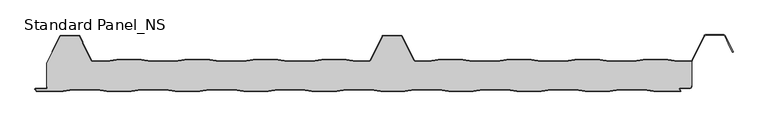
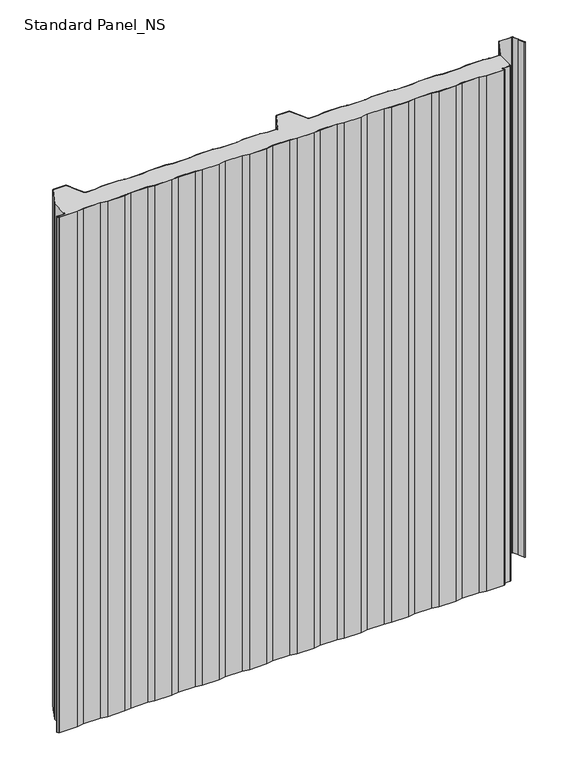
"""IFC4 building model written with IfcOpenShell, lengths in millimetres: proxy geometry, Standard Panel_NS."""

from ifc_helpers import new_model, si_unit, point, frame, frame_2d, origin, origin_with_axes, place, context, project, spatial, polyline, circle_curve, trimmed, segment, composite_curve, outline, extrude, source, transform, mapped, element, save
from ifc_brep_helpers import plane_surface, cylinder_surface, revolved_surface, advanced_brep


def standard_panel_ns_0e7aed19(model_context):
    return source(origin(), model_context, "Body", "SolidModel", [
        advanced_brep(
        [(-464.8660923, 46.7, 1219.2), (-466.9237884, 47.9724364, 1219.2), (-480.4229673, 75.0045421, 1219.2), (-480.6503205, 75.7702853, 1219.2), (-480.840508, 77.4301555, 1219.2), (-485.0802057, 85.9201502, 1219.2), (-486.4221814, 86.75, 1219.2), (-513.5776371, 86.75, 1219.2), (-514.9196128, 85.9201502, 1219.2), (-535.7286766, 44.25, 1219.2), (-535.8382664, 8.130172, 1219.2), (-535.0382664, 8.130172, 1219.2), (-535.0382664, 6.2001721, 1219.2), (-537.2382661, 4.0001723, 1219.2), (-553.5680922, 4.0001723, 1219.2), (-551.4916498, 0.8, 1219.2), (-510.6394764, 0.8, 1219.2), (-495.6394764, 3.3, 1219.2), (-457.5070563, 3.3, 1219.2), (-442.5070563, 0.8, 1219.2), (-404.6394764, 0.8, 1219.2), (-389.6394764, 3.3, 1219.2), (-351.5070563, 3.3, 1219.2), (-336.5070563, 0.8, 1219.2), (-298.6394764, 0.8, 1219.2), (-283.6394764, 3.3, 1219.2), (-245.5070563, 3.3, 1219.2), (-230.5070563, 0.8, 1219.2), (-192.6394764, 0.8, 1219.2), (-177.6394764, 3.3, 1219.2), (-139.5070563, 3.3, 1219.2), (-124.5070563, 0.8, 1219.2), (-86.1394764, 0.8, 1219.2), (-71.1394764, 3.3, 1219.2), (-33.0070563, 3.3, 1219.2), (-18.0070563, 0.8, 1219.2), (19.3605236, 0.8, 1219.2), (34.3605236, 3.3, 1219.2), (72.4929437, 3.3, 1219.2), (87.4929437, 0.8, 1219.2), (125.3605236, 0.8, 1219.2), (140.3605236, 3.3, 1219.2), (178.4929437, 3.3, 1219.2), (193.4929437, 0.8, 1219.2), (231.3605236, 0.8, 1219.2), (246.3605236, 3.3, 1219.2), (284.4929437, 3.3, 1219.2), (299.4929437, 0.8, 1219.2), (337.3605236, 0.8, 1219.2), (352.3605236, 3.3, 1219.2), (390.4929437, 3.3, 1219.2), (405.4929437, 0.8, 1219.2), (446.6010518, 0.8, 1219.2), (444.965675, 3.3204106, 1219.2), (446.4756642, 6.1001721, 1219.2), (462.0617343, 6.1001721, 1219.2), (463.3617336, 7.4001714, 1219.2), (463.3617336, 9.4001722, 1219.2), (464.2, 9.4, 1219.2), (464.2327461, 47.1622719, 1219.2), (462.60413, 46.7, 1219.2), (442.3905918, 46.7, 1219.2), (427.5511987, 49.2, 1219.2), (389.4759874, 49.2, 1219.2), (374.6365943, 46.7, 1219.2), (336.3905918, 46.7, 1219.2), (321.5511987, 49.2, 1219.2), (283.4759874, 49.2, 1219.2), (268.6365943, 46.7, 1219.2), (230.3905918, 46.7, 1219.2), (215.5511987, 49.2, 1219.2), (177.4759874, 49.2, 1219.2), (162.6365943, 46.7, 1219.2), (124.3905918, 46.7, 1219.2), (109.5511987, 49.2, 1219.2), (71.4759874, 49.2, 1219.2), (56.6365943, 46.7, 1219.2), (36.4223629, 46.7, 1219.2), (33.6489464, 48.415023, 1219.2), (14.9197943, 85.9201502, 1219.2), (13.5778186, 86.75, 1219.2), (-13.5776371, 86.75, 1219.2), (-14.9196128, 85.9201502, 1219.2), (-33.648765, 48.415023, 1219.2), (-36.4221814, 46.7, 1219.2), (-56.6364129, 46.7, 1219.2), (-71.4758059, 49.2, 1219.2), (-109.5510173, 49.2, 1219.2), (-124.3904103, 46.7, 1219.2), (-162.6364129, 46.7, 1219.2), (-177.4758059, 49.2, 1219.2), (-215.5510173, 49.2, 1219.2), (-230.3904103, 46.7, 1219.2), (-268.6364129, 46.7, 1219.2), (-283.4758059, 49.2, 1219.2), (-321.5510173, 49.2, 1219.2), (-336.3904103, 46.7, 1219.2), (-374.6364129, 46.7, 1219.2), (-389.4758059, 49.2, 1219.2), (-427.5510173, 49.2, 1219.2), (-442.3904103, 46.7, 1219.2), (-464.8660923, 46.7, 0.0), (-442.3904103, 46.7, 0.0), (-427.5510173, 49.2, 0.0), (-389.4758059, 49.2, 0.0), (-374.6364129, 46.7, 0.0), (-336.3904103, 46.7, 0.0), (-321.5510173, 49.2, 0.0), (-283.4758059, 49.2, 0.0), (-268.6364129, 46.7, 0.0), (-230.3904103, 46.7, 0.0), (-215.5510173, 49.2, 0.0), (-177.4758059, 49.2, 0.0), (-162.6364129, 46.7, 0.0), (-124.3904103, 46.7, 0.0), (-109.5510173, 49.2, 0.0), (-71.4758059, 49.2, 0.0), (-56.6364129, 46.7, 0.0), (-36.4221814, 46.7, 0.0), (-33.648765, 48.415023, 0.0), (-14.9196128, 85.9201502, 0.0), (-13.5776371, 86.75, 0.0), (13.5778186, 86.75, 0.0), (14.9197943, 85.9201502, 0.0), (33.6489464, 48.415023, 0.0), (36.4223629, 46.7, 0.0), (56.6365943, 46.7, 0.0), (71.4759874, 49.2, 0.0), (109.5511987, 49.2, 0.0), (124.3905918, 46.7, 0.0), (162.6365943, 46.7, 0.0), (177.4759874, 49.2, 0.0), (215.5511987, 49.2, 0.0), (230.3905918, 46.7, 0.0), (268.6365943, 46.7, 0.0), (283.4759874, 49.2, 0.0), (321.5511987, 49.2, 0.0), (336.3905918, 46.7, 0.0), (374.6365943, 46.7, 0.0), (389.4759874, 49.2, 0.0), (427.5511987, 49.2, 0.0), (442.3905918, 46.7, 0.0), (462.60413, 46.7, 0.0), (464.2327461, 47.1622719, 0.0), (464.2, 9.4, 0.0), (463.3617336, 9.4, 0.0), (463.3617336, 7.4001714, 0.0), (462.0617343, 6.1001721, 0.0), (446.4756642, 6.1001721, 0.0), (444.965675, 3.3204106, 0.0), (446.6010518, 0.8, 0.0), (405.4929437, 0.8, 0.0), (390.4929437, 3.3, 0.0), (352.3605236, 3.3, 0.0), (337.3605236, 0.8, 0.0), (299.4929437, 0.8, 0.0), (284.4929437, 3.3, 0.0), (246.3605236, 3.3, 0.0), (231.3605236, 0.8, 0.0), (193.4929437, 0.8, 0.0), (178.4929437, 3.3, 0.0), (140.3605236, 3.3, 0.0), (125.3605236, 0.8, 0.0), (87.4929437, 0.8, 0.0), (72.4929437, 3.3, 0.0), (34.3605236, 3.3, 0.0), (19.3605236, 0.8, 0.0), (-18.0070563, 0.8, 0.0), (-33.0070563, 3.3, 0.0), (-71.1394764, 3.3, 0.0), (-86.1394764, 0.8, 0.0), (-124.5070563, 0.8, 0.0), (-139.5070563, 3.3, 0.0), (-177.6394764, 3.3, 0.0), (-192.6394764, 0.8, 0.0), (-230.5070563, 0.8, 0.0), (-245.5070563, 3.3, 0.0), (-283.6394764, 3.3, 0.0), (-298.6394764, 0.8, 0.0), (-336.5070563, 0.8, 0.0), (-351.5070563, 3.3, 0.0), (-389.6394764, 3.3, 0.0), (-404.6394764, 0.8, 0.0), (-442.5070563, 0.8, 0.0), (-457.5070563, 3.3, 0.0), (-495.6394764, 3.3, 0.0), (-510.6394764, 0.8, 0.0), (-551.4916498, 0.8, 0.0), (-553.5680922, 4.0001723, 0.0), (-537.2382661, 4.0001723, 0.0), (-535.0382664, 6.2001721, 0.0), (-535.0382664, 8.130172, 0.0), (-535.8382664, 8.130172, 0.0), (-535.7998185, 44.25, 0.0), (-514.9196128, 85.9201502, 0.0), (-513.5776371, 86.75, 0.0), (-486.4221814, 86.75, 0.0), (-485.0802057, 85.9201502, 0.0), (-480.840508, 77.4301555, 0.0), (-480.6503205, 75.7702853, 0.0), (-480.4229673, 75.0045421, 0.0), (-466.9237884, 47.9724364, 0.0)],
        [
            (0, 1, circle_curve(frame((-464.8660923, 49.0, 1219.2), z_axis=(0.0, 0.0, -1.0), x_axis=(-1.0, 0.0, 0.0)), 2.3)),
            (1, 2),
            (2, 3, circle_curve(frame((-478.3652712, 76.0321057, 1219.2), z_axis=(0.0, 0.0, -1.0), x_axis=(-1.0, 0.0, 0.0)), 2.3)),
            (3, 4),
            (4, 5),
            (5, 6, circle_curve(frame((-486.4221814, 85.25, 1219.2), z_axis=(0.0, 0.0, 1.0), x_axis=(-1.0, 0.0, 0.0)), 1.5)),
            (6, 7),
            (7, 8, circle_curve(frame((-513.5776371, 85.25, 1219.2), z_axis=(0.0, 0.0, 1.0), x_axis=(-1.0, 0.0, 0.0)), 1.5)),
            (8, 9),
            (9, 10),
            (10, 11),
            (11, 12),
            (12, 13, circle_curve(frame((-537.2382661, 6.2001721, 1219.2), z_axis=(0.0, 0.0, -1.0), x_axis=(-1.0, 0.0, 0.0)), 2.1999997)),
            (13, 14),
            (14, 15),
            (15, 16),
            (16, 17),
            (17, 18),
            (18, 19),
            (19, 20),
            (20, 21),
            (21, 22),
            (22, 23),
            (23, 24),
            (24, 25),
            (25, 26),
            (26, 27),
            (27, 28),
            (28, 29),
            (29, 30),
            (30, 31),
            (31, 32),
            (32, 33),
            (33, 34),
            (34, 35),
            (35, 36),
            (36, 37),
            (37, 38),
            (38, 39),
            (39, 40),
            (40, 41),
            (41, 42),
            (42, 43),
            (43, 44),
            (44, 45),
            (45, 46),
            (46, 47),
            (47, 48),
            (48, 49),
            (49, 50),
            (50, 51),
            (51, 52),
            (52, 53),
            (53, 54, circle_curve(frame((446.4756642, 4.3001721, 1219.2), z_axis=(0.0, 0.0, -1.0), x_axis=(-1.0, 0.0, 0.0)), 1.8)),
            (54, 55),
            (55, 56, circle_curve(frame((462.0617343, 7.4001714, 1219.2), z_axis=(0.0, 0.0, 1.0), x_axis=(-1.0, 0.0, 0.0)), 1.2999993)),
            (56, 57),
            (57, 58),
            (58, 59),
            (59, 60, circle_curve(frame((462.60413, 49.8, 1219.2), z_axis=(0.0, 0.0, -1.0), x_axis=(-1.0, 0.0, 0.0)), 3.1)),
            (60, 61),
            (61, 62),
            (62, 63),
            (63, 64),
            (64, 65),
            (65, 66),
            (66, 67),
            (67, 68),
            (68, 69),
            (69, 70),
            (70, 71),
            (71, 72),
            (72, 73),
            (73, 74),
            (74, 75),
            (75, 76),
            (76, 77),
            (77, 78, circle_curve(frame((36.4223629, 49.8, 1219.2), z_axis=(0.0, 0.0, -1.0), x_axis=(-1.0, 0.0, 0.0)), 3.1)),
            (78, 79),
            (79, 80, circle_curve(frame((13.5778186, 85.25, 1219.2), z_axis=(0.0, 0.0, 1.0), x_axis=(-1.0, 0.0, 0.0)), 1.5)),
            (80, 81),
            (81, 82, circle_curve(frame((-13.5776371, 85.25, 1219.2), z_axis=(0.0, 0.0, 1.0), x_axis=(-1.0, 0.0, 0.0)), 1.5)),
            (82, 83),
            (83, 84, circle_curve(frame((-36.4221814, 49.8, 1219.2), z_axis=(0.0, 0.0, -1.0), x_axis=(-1.0, 0.0, 0.0)), 3.1)),
            (84, 85),
            (85, 86),
            (86, 87),
            (87, 88),
            (88, 89),
            (89, 90),
            (90, 91),
            (91, 92),
            (92, 93),
            (93, 94),
            (94, 95),
            (95, 96),
            (96, 97),
            (97, 98),
            (98, 99),
            (99, 100),
            (100, 0),
            (101, 102),
            (102, 103),
            (103, 104),
            (104, 105),
            (105, 106),
            (106, 107),
            (107, 108),
            (108, 109),
            (109, 110),
            (110, 111),
            (111, 112),
            (112, 113),
            (113, 114),
            (114, 115),
            (115, 116),
            (116, 117),
            (117, 118),
            (118, 119, circle_curve(frame((-36.4221814, 49.8, 0.0), z_axis=(0.0, 0.0, 1.0), x_axis=(-1.0, 0.0, 0.0)), 3.1)),
            (119, 120),
            (120, 121, circle_curve(frame((-13.5776371, 85.25, 0.0), z_axis=(0.0, 0.0, -1.0), x_axis=(-1.0, 0.0, 0.0)), 1.5)),
            (121, 122),
            (122, 123, circle_curve(frame((13.5778186, 85.25, 0.0), z_axis=(0.0, 0.0, -1.0), x_axis=(-1.0, 0.0, 0.0)), 1.5)),
            (123, 124),
            (124, 125, circle_curve(frame((36.4223629, 49.8, 0.0), z_axis=(0.0, 0.0, 1.0), x_axis=(-1.0, 0.0, 0.0)), 3.1)),
            (125, 126),
            (126, 127),
            (127, 128),
            (128, 129),
            (129, 130),
            (130, 131),
            (131, 132),
            (132, 133),
            (133, 134),
            (134, 135),
            (135, 136),
            (136, 137),
            (137, 138),
            (138, 139),
            (139, 140),
            (140, 141),
            (141, 142),
            (142, 143, circle_curve(frame((462.60413, 49.8, 0.0), z_axis=(0.0, 0.0, 1.0), x_axis=(-1.0, 0.0, 0.0)), 3.1)),
            (143, 144),
            (144, 145),
            (145, 146),
            (146, 147, circle_curve(frame((462.0617343, 7.4001714, 0.0), z_axis=(0.0, 0.0, -1.0), x_axis=(-1.0, 0.0, 0.0)), 1.2999993)),
            (147, 148),
            (148, 149, circle_curve(frame((446.4756642, 4.3001721, 0.0), z_axis=(0.0, 0.0, 1.0), x_axis=(-1.0, 0.0, 0.0)), 1.8)),
            (149, 150),
            (150, 151),
            (151, 152),
            (152, 153),
            (153, 154),
            (154, 155),
            (155, 156),
            (156, 157),
            (157, 158),
            (158, 159),
            (159, 160),
            (160, 161),
            (161, 162),
            (162, 163),
            (163, 164),
            (164, 165),
            (165, 166),
            (166, 167),
            (167, 168),
            (168, 169),
            (169, 170),
            (170, 171),
            (171, 172),
            (172, 173),
            (173, 174),
            (174, 175),
            (175, 176),
            (176, 177),
            (177, 178),
            (178, 179),
            (179, 180),
            (180, 181),
            (181, 182),
            (182, 183),
            (183, 184),
            (184, 185),
            (185, 186),
            (186, 187),
            (187, 188),
            (188, 189),
            (189, 190, circle_curve(frame((-537.2382661, 6.2001721, 0.0), z_axis=(0.0, 0.0, 1.0), x_axis=(-1.0, 0.0, 0.0)), 2.1999997)),
            (190, 191),
            (191, 192),
            (192, 193),
            (193, 194),
            (194, 195, circle_curve(frame((-513.5776371, 85.25, 0.0), z_axis=(0.0, 0.0, -1.0), x_axis=(-1.0, 0.0, 0.0)), 1.5)),
            (195, 196),
            (196, 197, circle_curve(frame((-486.4221814, 85.25, 0.0), z_axis=(0.0, 0.0, -1.0), x_axis=(-1.0, 0.0, 0.0)), 1.5)),
            (197, 198),
            (198, 199),
            (199, 200, circle_curve(frame((-478.3652712, 76.0321057, 0.0), z_axis=(0.0, 0.0, 1.0), x_axis=(-1.0, 0.0, 0.0)), 2.3)),
            (200, 201),
            (201, 101, circle_curve(frame((-464.8660923, 49.0, 0.0), z_axis=(0.0, 0.0, 1.0), x_axis=(-1.0, 0.0, 0.0)), 2.3)),
            (0, 101),
            (201, 1),
            (200, 2),
            (199, 3),
            (198, 4),
            (197, 5),
            (196, 6),
            (195, 7),
            (194, 8),
            (193, 9),
            (143, 59),
            (58, 144),
            (142, 60),
            (141, 61),
            (140, 62),
            (139, 63),
            (138, 64),
            (137, 65),
            (136, 66),
            (135, 67),
            (134, 68),
            (133, 69),
            (132, 70),
            (131, 71),
            (130, 72),
            (129, 73),
            (128, 74),
            (127, 75),
            (126, 76),
            (125, 77),
            (124, 78),
            (123, 79),
            (122, 80),
            (121, 81),
            (120, 82),
            (119, 83),
            (118, 84),
            (117, 85),
            (116, 86),
            (115, 87),
            (114, 88),
            (113, 89),
            (112, 90),
            (111, 91),
            (110, 92),
            (109, 93),
            (108, 94),
            (107, 95),
            (106, 96),
            (105, 97),
            (104, 98),
            (103, 99),
            (102, 100),
            (57, 145),
            (192, 10),
            (12, 190),
            (189, 13),
            (188, 14),
            (187, 15),
            (186, 16),
            (185, 17),
            (184, 18),
            (183, 19),
            (182, 20),
            (181, 21),
            (180, 22),
            (179, 23),
            (178, 24),
            (177, 25),
            (176, 26),
            (175, 27),
            (174, 28),
            (173, 29),
            (172, 30),
            (171, 31),
            (170, 32),
            (169, 33),
            (168, 34),
            (167, 35),
            (166, 36),
            (165, 37),
            (164, 38),
            (163, 39),
            (162, 40),
            (161, 41),
            (160, 42),
            (159, 43),
            (158, 44),
            (157, 45),
            (156, 46),
            (155, 47),
            (154, 48),
            (153, 49),
            (152, 50),
            (151, 51),
            (150, 52),
            (149, 53),
            (148, 54),
            (147, 55),
            (146, 56),
            (191, 11),
        ],
        [
            plane_surface(frame((9.07e-05, 49.2, 1219.2), z_axis=(0.0, 0.0, 1.0), x_axis=(0.0, 1.0, 0.0))),
            plane_surface(frame((9.07e-05, 49.2, 0.0), z_axis=(0.0, 0.0, -1.0), x_axis=(0.0, 1.0, 0.0))),
            revolved_surface(polyline([(-467.1660923, 49.0, 0.0), (-467.1660923, 49.0, 1219.2)]), (-464.8660923, 49.0, 1219.2), (0.0, 0.0, -1.0)),
            plane_surface(frame((-466.9237884, 47.9724364, 1219.2), z_axis=(0.8946504628058127, 0.44676677293789996, 0.0), x_axis=(0.0, 0.0, -1.0))),
            revolved_surface(polyline([(-480.6652712, 76.0321057, 0.0), (-480.6652712, 76.0321057, 1219.2)]), (-478.3652712, 76.0321057, 1219.2), (0.0, 0.0, -1.0)),
            plane_surface(frame((-480.6503205, 75.7702853, 1219.2), z_axis=(0.9934996737929253, 0.113834960242235, 0.0), x_axis=(0.0, 0.0, -1.0))),
            plane_surface(frame((-480.840508, 77.4301555, 1219.2), z_axis=(0.8946504628055771, 0.44676677293837186, 0.0), x_axis=(0.0, 0.0, -1.0))),
            cylinder_surface(frame((-486.4221814, 85.25, 1219.2), z_axis=(0.0, 0.0, 1.0), x_axis=(-1.0, 0.0, 0.0)), 1.5),
            plane_surface(frame((-486.4221814, 86.75, 1219.2), z_axis=(0.0, 1.0, 0.0), x_axis=(0.0, 0.0, -1.0))),
            cylinder_surface(frame((-513.5776371, 85.25, 1219.2), z_axis=(0.0, 0.0, 1.0), x_axis=(-1.0, 0.0, 0.0)), 1.5),
            plane_surface(frame((-514.9196128, 85.9201502, 1219.2), z_axis=(-0.8946504628064579, 0.44676677293660805, 0.0), x_axis=(0.0, 0.0, -1.0))),
            plane_surface(frame((464.2327461, 44.25, 1219.2), z_axis=(1.0, 0.0, 0.0), x_axis=(0.0, 0.0, -1.0))),
            revolved_surface(polyline([(459.50413, 49.8, 0.0), (459.50413, 49.8, 1219.2)]), (462.60413, 49.8, 1219.2), (0.0, 0.0, -1.0)),
            plane_surface(frame((462.60413, 46.7, 1219.2), z_axis=(0.0, 1.0, 0.0), x_axis=(0.0, 0.0, -1.0))),
            plane_surface(frame((442.3905918, 46.7, 1219.2), z_axis=(0.16612942863435848, 0.9861039564577467, 0.0), x_axis=(0.0, 0.0, -1.0))),
            plane_surface(frame((427.5511987, 49.2, 1219.2), z_axis=(0.0, 1.0, 0.0), x_axis=(0.0, 0.0, -1.0))),
            plane_surface(frame((389.4759874, 49.2, 1219.2), z_axis=(-0.16612942863454067, 0.9861039564577161, 0.0), x_axis=(0.0, 0.0, -1.0))),
            plane_surface(frame((374.6365943, 46.7, 1219.2), z_axis=(0.0, 1.0, 0.0), x_axis=(0.0, 0.0, -1.0))),
            plane_surface(frame((336.3905918, 46.7, 1219.2), z_axis=(0.1661294286345235, 0.986103956457719, 0.0), x_axis=(0.0, 0.0, -1.0))),
            plane_surface(frame((321.5511987, 49.2, 1219.2), z_axis=(0.0, 1.0, 0.0), x_axis=(0.0, 0.0, -1.0))),
            plane_surface(frame((283.4759874, 49.2, 1219.2), z_axis=(-0.16612942863454067, 0.9861039564577161, 0.0), x_axis=(0.0, 0.0, -1.0))),
            plane_surface(frame((268.6365943, 46.7, 1219.2), z_axis=(0.0, 1.0, 0.0), x_axis=(0.0, 0.0, -1.0))),
            plane_surface(frame((230.3905918, 46.7, 1219.2), z_axis=(0.16612942863435848, 0.9861039564577467, 0.0), x_axis=(0.0, 0.0, -1.0))),
            plane_surface(frame((215.5511987, 49.2, 1219.2), z_axis=(0.0, 1.0, 0.0), x_axis=(0.0, 0.0, -1.0))),
            plane_surface(frame((177.4759874, 49.2, 1219.2), z_axis=(-0.16612942863472926, 0.9861039564576843, 0.0), x_axis=(0.0, 0.0, -1.0))),
            plane_surface(frame((162.6365943, 46.7, 1219.2), z_axis=(0.0, 1.0, 0.0), x_axis=(0.0, 0.0, -1.0))),
            plane_surface(frame((124.3905918, 46.7, 1219.2), z_axis=(0.1661294286345235, 0.986103956457719, 0.0), x_axis=(0.0, 0.0, -1.0))),
            plane_surface(frame((109.5511987, 49.2, 1219.2), z_axis=(0.0, 1.0, 0.0), x_axis=(0.0, 0.0, -1.0))),
            plane_surface(frame((71.4759874, 49.2, 1219.2), z_axis=(-0.16612942863435204, 0.9861039564577478, 0.0), x_axis=(0.0, 0.0, -1.0))),
            plane_surface(frame((56.6365943, 46.7, 1219.2), z_axis=(0.0, 1.0, 0.0), x_axis=(0.0, 0.0, -1.0))),
            revolved_surface(polyline([(33.3223629, 49.8, 0.0), (33.3223629, 49.8, 1219.2)]), (36.4223629, 49.8, 1219.2), (0.0, 0.0, -1.0)),
            plane_surface(frame((33.6489464, 48.415023, 1219.2), z_axis=(0.8946504628060804, 0.44676677293736405, 0.0), x_axis=(0.0, 0.0, -1.0))),
            cylinder_surface(frame((13.5778186, 85.25, 1219.2), z_axis=(0.0, 0.0, 1.0), x_axis=(-1.0, 0.0, 0.0)), 1.5),
            plane_surface(frame((13.5778186, 86.75, 1219.2), z_axis=(0.0, 1.0, 0.0), x_axis=(0.0, 0.0, -1.0))),
            cylinder_surface(frame((-13.5776371, 85.25, 1219.2), z_axis=(0.0, 0.0, 1.0), x_axis=(-1.0, 0.0, 0.0)), 1.5),
            plane_surface(frame((-14.9196128, 85.9201502, 1219.2), z_axis=(-0.8946504628059846, 0.4467667729375559, 0.0), x_axis=(0.0, 0.0, -1.0))),
            revolved_surface(polyline([(-39.5221814, 49.8, 0.0), (-39.5221814, 49.8, 1219.2)]), (-36.4221814, 49.8, 1219.2), (0.0, 0.0, -1.0)),
            plane_surface(frame((-36.4221814, 46.7, 1219.2), z_axis=(0.0, 1.0, 0.0), x_axis=(0.0, 0.0, -1.0))),
            plane_surface(frame((-56.6364129, 46.7, 1219.2), z_axis=(0.16612942863461477, 0.9861039564577035, 0.0), x_axis=(0.0, 0.0, -1.0))),
            plane_surface(frame((-71.4758059, 49.2, 1219.2), z_axis=(0.0, 1.0, 0.0), x_axis=(0.0, 0.0, -1.0))),
            plane_surface(frame((-109.5510173, 49.2, 1219.2), z_axis=(-0.16612942863482053, 0.9861039564576689, 0.0), x_axis=(0.0, 0.0, -1.0))),
            plane_surface(frame((-124.3904103, 46.7, 1219.2), z_axis=(0.0, 1.0, 0.0), x_axis=(0.0, 0.0, -1.0))),
            plane_surface(frame((-162.6364129, 46.7, 1219.2), z_axis=(0.16612942863457067, 0.986103956457711, 0.0), x_axis=(0.0, 0.0, -1.0))),
            plane_surface(frame((-177.4758059, 49.2, 1219.2), z_axis=(0.0, 1.0, 0.0), x_axis=(0.0, 0.0, -1.0))),
            plane_surface(frame((-215.5510173, 49.2, 1219.2), z_axis=(-0.16612942863435204, 0.9861039564577478, 0.0), x_axis=(0.0, 0.0, -1.0))),
            plane_surface(frame((-230.3904103, 46.7, 1219.2), z_axis=(0.0, 1.0, 0.0), x_axis=(0.0, 0.0, -1.0))),
            plane_surface(frame((-268.6364129, 46.7, 1219.2), z_axis=(0.1661294286345471, 0.986103956457715, 0.0), x_axis=(0.0, 0.0, -1.0))),
            plane_surface(frame((-283.4758059, 49.2, 1219.2), z_axis=(0.0, 1.0, 0.0), x_axis=(0.0, 0.0, -1.0))),
            plane_surface(frame((-321.5510173, 49.2, 1219.2), z_axis=(-0.16612942863454067, 0.9861039564577161, 0.0), x_axis=(0.0, 0.0, -1.0))),
            plane_surface(frame((-336.3904103, 46.7, 1219.2), z_axis=(0.0, 1.0, 0.0), x_axis=(0.0, 0.0, -1.0))),
            plane_surface(frame((-374.6364129, 46.7, 1219.2), z_axis=(0.1661294286345471, 0.986103956457715, 0.0), x_axis=(0.0, 0.0, -1.0))),
            plane_surface(frame((-389.4758059, 49.2, 1219.2), z_axis=(0.0, 1.0, 0.0), x_axis=(0.0, 0.0, -1.0))),
            plane_surface(frame((-427.5510173, 49.2, 1219.2), z_axis=(-0.16612942863472926, 0.9861039564576843, 0.0), x_axis=(0.0, 0.0, -1.0))),
            plane_surface(frame((-442.3904103, 46.7, 1219.2), z_axis=(0.0, 1.0, 0.0), x_axis=(0.0, 0.0, -1.0))),
            plane_surface(frame((-535.7998185, 9.4, 1219.2), z_axis=(0.0, -1.0, 0.0), x_axis=(0.0, 0.0, -1.0))),
            plane_surface(frame((-535.7998185, 44.25, 1219.2), z_axis=(-1.0, 0.0, 0.0), x_axis=(0.0, 0.0, -1.0))),
            revolved_surface(polyline([(-539.4382658000001, 6.2001721, 0.0), (-539.4382658000001, 6.2001721, 1219.2)]), (-537.2382661, 6.2001721, 1219.2), (0.0, 0.0, -1.0)),
            plane_surface(frame((-537.2382661, 4.0001723, 1219.2), z_axis=(0.0, 1.0, 0.0), x_axis=(0.0, 0.0, -1.0))),
            plane_surface(frame((-553.5680922, 4.0001723, 1219.2), z_axis=(-0.8388828900560089, -0.5443119480328152, 0.0), x_axis=(0.0, 0.0, -1.0))),
            plane_surface(frame((-551.4916498, 0.8, 1219.2), z_axis=(0.0, -1.0, 0.0), x_axis=(0.0, 0.0, -1.0))),
            plane_surface(frame((-510.6394764, 0.8, 1219.2), z_axis=(0.16439898730529637, -0.986393923832154, 0.0), x_axis=(0.0, 0.0, -1.0))),
            plane_surface(frame((-495.6394764, 3.3, 1219.2), z_axis=(0.0, -1.0, 0.0), x_axis=(0.0, 0.0, -1.0))),
            plane_surface(frame((-457.5070563, 3.3, 1219.2), z_axis=(-0.1643989873053497, -0.9863939238321451, 0.0), x_axis=(0.0, 0.0, -1.0))),
            plane_surface(frame((-442.5070563, 0.8, 1219.2), z_axis=(0.0, -1.0, 0.0), x_axis=(0.0, 0.0, -1.0))),
            plane_surface(frame((-404.6394764, 0.8, 1219.2), z_axis=(0.16439898730534544, -0.9863939238321457, 0.0), x_axis=(0.0, 0.0, -1.0))),
            plane_surface(frame((-389.6394764, 3.3, 1219.2), z_axis=(0.0, -1.0, 0.0), x_axis=(0.0, 0.0, -1.0))),
            plane_surface(frame((-351.5070563, 3.3, 1219.2), z_axis=(-0.16439898730537528, -0.9863939238321408, 0.0), x_axis=(0.0, 0.0, -1.0))),
            plane_surface(frame((-336.5070563, 0.8, 1219.2), z_axis=(0.0, -1.0, 0.0), x_axis=(0.0, 0.0, -1.0))),
            plane_surface(frame((-298.6394764, 0.8, 1219.2), z_axis=(0.16439898730518882, -0.9863939238321718, 0.0), x_axis=(0.0, 0.0, -1.0))),
            plane_surface(frame((-283.6394764, 3.3, 1219.2), z_axis=(0.0, -1.0, 0.0), x_axis=(0.0, 0.0, -1.0))),
            plane_surface(frame((-245.5070563, 3.3, 1219.2), z_axis=(-0.16439898730526595, -0.986393923832159, 0.0), x_axis=(0.0, 0.0, -1.0))),
            plane_surface(frame((-230.5070563, 0.8, 1219.2), z_axis=(0.0, -1.0, 0.0), x_axis=(0.0, 0.0, -1.0))),
            plane_surface(frame((-192.6394764, 0.8, 1219.2), z_axis=(0.1643989873054454, -0.9863939238321291, 0.0), x_axis=(0.0, 0.0, -1.0))),
            plane_surface(frame((-177.6394764, 3.3, 1219.2), z_axis=(0.0, -1.0, 0.0), x_axis=(0.0, 0.0, -1.0))),
            plane_surface(frame((-139.5070563, 3.3, 1219.2), z_axis=(-0.16439898730351146, -0.9863939238324514, 0.0), x_axis=(0.0, 0.0, -1.0))),
            plane_surface(frame((-124.5070563, 0.8, 1219.2), z_axis=(0.0, -1.0, 0.0), x_axis=(0.0, 0.0, -1.0))),
            plane_surface(frame((-86.1394764, 0.8, 1219.2), z_axis=(0.16439898730531116, -0.9863939238321515, 0.0), x_axis=(0.0, 0.0, -1.0))),
            plane_surface(frame((-71.1394764, 3.3, 1219.2), z_axis=(0.0, -1.0, 0.0), x_axis=(0.0, 0.0, -1.0))),
            plane_surface(frame((-33.0070563, 3.3, 1219.2), z_axis=(-0.1643989873007139, -0.9863939238329177, 0.0), x_axis=(0.0, 0.0, -1.0))),
            plane_surface(frame((-18.0070563, 0.8, 1219.2), z_axis=(0.0, -1.0, 0.0), x_axis=(0.0, 0.0, -1.0))),
            plane_surface(frame((19.3605236, 0.8, 1219.2), z_axis=(0.16439898730276062, -0.9863939238325765, 0.0), x_axis=(0.0, 0.0, -1.0))),
            plane_surface(frame((34.3605236, 3.3, 1219.2), z_axis=(0.0, -1.0, 0.0), x_axis=(0.0, 0.0, -1.0))),
            plane_surface(frame((72.4929437, 3.3, 1219.2), z_axis=(-0.1643989873053467, -0.9863939238321456, 0.0), x_axis=(0.0, 0.0, -1.0))),
            plane_surface(frame((87.4929437, 0.8, 1219.2), z_axis=(0.0, -1.0, 0.0), x_axis=(0.0, 0.0, -1.0))),
            plane_surface(frame((125.3605236, 0.8, 1219.2), z_axis=(0.1643989873053679, -0.9863939238321421, 0.0), x_axis=(0.0, 0.0, -1.0))),
            plane_surface(frame((140.3605236, 3.3, 1219.2), z_axis=(0.0, -1.0, 0.0), x_axis=(0.0, 0.0, -1.0))),
            plane_surface(frame((178.4929437, 3.3, 1219.2), z_axis=(-0.1643989873053467, -0.9863939238321456, 0.0), x_axis=(0.0, 0.0, -1.0))),
            plane_surface(frame((193.4929437, 0.8, 1219.2), z_axis=(0.0, -1.0, 0.0), x_axis=(0.0, 0.0, -1.0))),
            plane_surface(frame((231.3605236, 0.8, 1219.2), z_axis=(0.16439898730518315, -0.9863939238321728, 0.0), x_axis=(0.0, 0.0, -1.0))),
            plane_surface(frame((246.3605236, 3.3, 1219.2), z_axis=(0.0, -1.0, 0.0), x_axis=(0.0, 0.0, -1.0))),
            plane_surface(frame((284.4929437, 3.3, 1219.2), z_axis=(-0.1643989873053467, -0.9863939238321456, 0.0), x_axis=(0.0, 0.0, -1.0))),
            plane_surface(frame((299.4929437, 0.8, 1219.2), z_axis=(0.0, -1.0, 0.0), x_axis=(0.0, 0.0, -1.0))),
            plane_surface(frame((337.3605236, 0.8, 1219.2), z_axis=(0.1643989873053679, -0.9863939238321421, 0.0), x_axis=(0.0, 0.0, -1.0))),
            plane_surface(frame((352.3605236, 3.3, 1219.2), z_axis=(0.0, -1.0, 0.0), x_axis=(0.0, 0.0, -1.0))),
            plane_surface(frame((390.4929437, 3.3, 1219.2), z_axis=(-0.16439898730516195, -0.9863939238321764, 0.0), x_axis=(0.0, 0.0, -1.0))),
            plane_surface(frame((405.4929437, 0.8, 1219.2), z_axis=(0.0, -1.0, 0.0), x_axis=(0.0, 0.0, -1.0))),
            plane_surface(frame((446.6010518, 0.8, 1219.2), z_axis=(0.8388828900539764, 0.5443119480359477, 0.0), x_axis=(0.0, 0.0, -1.0))),
            revolved_surface(polyline([(444.67566419999997, 4.3001721, 0.0), (444.67566419999997, 4.3001721, 1219.2)]), (446.4756642, 4.3001721, 1219.2), (0.0, 0.0, -1.0)),
            plane_surface(frame((446.4756642, 6.1001721, 1219.2), z_axis=(0.0, -1.0, 0.0), x_axis=(0.0, 0.0, -1.0))),
            cylinder_surface(frame((462.0617343, 7.4001714, 1219.2), z_axis=(0.0, 0.0, 1.0), x_axis=(-1.0, 0.0, 0.0)), 1.2999993),
            plane_surface(frame((463.3617336, 7.4001714, 1219.2), z_axis=(1.0, 0.0, 0.0), x_axis=(0.0, 0.0, -1.0))),
            plane_surface(frame((-535.8382664, 8.130172, 1219.2), z_axis=(0.0, -1.0, 0.0), x_axis=(0.0, 0.0, -1.0))),
            plane_surface(frame((-535.0382664, 8.130172, 1219.2), z_axis=(-1.0, 0.0, 0.0), x_axis=(0.0, 0.0, -1.0))),
        ],
        [
            (0, [[1, 2, 3, 4, 5, 6, 7, 8, 9, 10, 11, 12, 13, 14, 15, 16, 17, 18, 19, 20, 21, 22, 23, 24, 25, 26, 27, 28, 29, 30, 31, 32, 33, 34, 35, 36, 37, 38, 39, 40, 41, 42, 43, 44, 45, 46, 47, 48, 49, 50, 51, 52, 53, 54, 55, 56, 57, 58, 59, 60, 61, 62, 63, 64, 65, 66, 67, 68, 69, 70, 71, 72, 73, 74, 75, 76, 77, 78, 79, 80, 81, 82, 83, 84, 85, 86, 87, 88, 89, 90, 91, 92, 93, 94, 95, 96, 97, 98, 99, 100, 101]]),
            (1, [[102, 103, 104, 105, 106, 107, 108, 109, 110, 111, 112, 113, 114, 115, 116, 117, 118, 119, 120, 121, 122, 123, 124, 125, 126, 127, 128, 129, 130, 131, 132, 133, 134, 135, 136, 137, 138, 139, 140, 141, 142, 143, 144, 145, 146, 147, 148, 149, 150, 151, 152, 153, 154, 155, 156, 157, 158, 159, 160, 161, 162, 163, 164, 165, 166, 167, 168, 169, 170, 171, 172, 173, 174, 175, 176, 177, 178, 179, 180, 181, 182, 183, 184, 185, 186, 187, 188, 189, 190, 191, 192, 193, 194, 195, 196, 197, 198, 199, 200, 201, 202]]),
            (2, [[-1, 203, -202, 204]]),
            (3, [[-2, -204, -201, 205]]),
            (4, [[-3, -205, -200, 206]]),
            (5, [[-4, -206, -199, 207]]),
            (6, [[-5, -207, -198, 208]]),
            (7, [[-6, -208, -197, 209]]),
            (8, [[-7, -209, -196, 210]]),
            (9, [[-8, -210, -195, 211]]),
            (10, [[-9, -211, -194, 212]]),
            (11, [[213, -59, 214, -144]]),
            (12, [[-60, -213, -143, 215]]),
            (13, [[-61, -215, -142, 216]]),
            (14, [[-62, -216, -141, 217]]),
            (15, [[-63, -217, -140, 218]]),
            (16, [[-64, -218, -139, 219]]),
            (17, [[-65, -219, -138, 220]]),
            (18, [[-66, -220, -137, 221]]),
            (19, [[-67, -221, -136, 222]]),
            (20, [[-68, -222, -135, 223]]),
            (21, [[-69, -223, -134, 224]]),
            (22, [[-70, -224, -133, 225]]),
            (23, [[-71, -225, -132, 226]]),
            (24, [[-72, -226, -131, 227]]),
            (25, [[-73, -227, -130, 228]]),
            (26, [[-74, -228, -129, 229]]),
            (27, [[-75, -229, -128, 230]]),
            (28, [[-76, -230, -127, 231]]),
            (29, [[-77, -231, -126, 232]]),
            (30, [[-78, -232, -125, 233]]),
            (31, [[-79, -233, -124, 234]]),
            (32, [[-80, -234, -123, 235]]),
            (33, [[-81, -235, -122, 236]]),
            (34, [[-82, -236, -121, 237]]),
            (35, [[-83, -237, -120, 238]]),
            (36, [[-84, -238, -119, 239]]),
            (37, [[-85, -239, -118, 240]]),
            (38, [[-86, -240, -117, 241]]),
            (39, [[-87, -241, -116, 242]]),
            (40, [[-88, -242, -115, 243]]),
            (41, [[-89, -243, -114, 244]]),
            (42, [[-90, -244, -113, 245]]),
            (43, [[-91, -245, -112, 246]]),
            (44, [[-92, -246, -111, 247]]),
            (45, [[-93, -247, -110, 248]]),
            (46, [[-94, -248, -109, 249]]),
            (47, [[-95, -249, -108, 250]]),
            (48, [[-96, -250, -107, 251]]),
            (49, [[-97, -251, -106, 252]]),
            (50, [[-98, -252, -105, 253]]),
            (51, [[-99, -253, -104, 254]]),
            (52, [[-100, -254, -103, 255]]),
            (53, [[-101, -255, -102, -203]]),
            (54, [[-214, -58, 256, -145]]),
            (55, [[-10, -212, -193, 257]]),
            (56, [[-13, 258, -190, 259]]),
            (57, [[-14, -259, -189, 260]]),
            (58, [[-15, -260, -188, 261]]),
            (59, [[-16, -261, -187, 262]]),
            (60, [[-17, -262, -186, 263]]),
            (61, [[-18, -263, -185, 264]]),
            (62, [[-19, -264, -184, 265]]),
            (63, [[-20, -265, -183, 266]]),
            (64, [[-21, -266, -182, 267]]),
            (65, [[-22, -267, -181, 268]]),
            (66, [[-23, -268, -180, 269]]),
            (67, [[-24, -269, -179, 270]]),
            (68, [[-25, -270, -178, 271]]),
            (69, [[-26, -271, -177, 272]]),
            (70, [[-27, -272, -176, 273]]),
            (71, [[-28, -273, -175, 274]]),
            (72, [[-29, -274, -174, 275]]),
            (73, [[-30, -275, -173, 276]]),
            (74, [[-31, -276, -172, 277]]),
            (75, [[-32, -277, -171, 278]]),
            (76, [[-33, -278, -170, 279]]),
            (77, [[-34, -279, -169, 280]]),
            (78, [[-35, -280, -168, 281]]),
            (79, [[-36, -281, -167, 282]]),
            (80, [[-37, -282, -166, 283]]),
            (81, [[-38, -283, -165, 284]]),
            (82, [[-39, -284, -164, 285]]),
            (83, [[-40, -285, -163, 286]]),
            (84, [[-41, -286, -162, 287]]),
            (85, [[-42, -287, -161, 288]]),
            (86, [[-43, -288, -160, 289]]),
            (87, [[-44, -289, -159, 290]]),
            (88, [[-45, -290, -158, 291]]),
            (89, [[-46, -291, -157, 292]]),
            (90, [[-47, -292, -156, 293]]),
            (91, [[-48, -293, -155, 294]]),
            (92, [[-49, -294, -154, 295]]),
            (93, [[-50, -295, -153, 296]]),
            (94, [[-51, -296, -152, 297]]),
            (95, [[-52, -297, -151, 298]]),
            (96, [[-53, -298, -150, 299]]),
            (97, [[-54, -299, -149, 300]]),
            (98, [[-55, -300, -148, 301]]),
            (99, [[-56, -301, -147, 302]]),
            (100, [[-57, -302, -146, -256]]),
            (101, [[-11, -257, -192, 303]]),
            (102, [[-12, -303, -191, -258]]),
        ],
    ),
        extrude(outline(composite_curve([segment(polyline([(-535.8382664, 6.2001721), (-535.8382664, 8.130172), (-535.0382664, 8.130172), (-535.0382664, 6.2001721)]), True, "CONTINUOUS"), segment(trimmed(circle_curve(frame_2d((-537.2382661, 6.2001721)), 2.1999997), [point((-535.0382664, 6.2001721))], [point((-537.2382661, 4.0001723))], False, "CARTESIAN"), True, "CONTINUOUS"), segment(polyline([(-537.2382661, 4.0001723), (-553.5680922, 4.0001723), (-551.4916498, 0.8), (-510.6394764, 0.8), (-495.6394764, 3.3), (-457.5070563, 3.3), (-442.5070563, 0.8), (-404.6394764, 0.8), (-389.6394764, 3.3), (-351.5070563, 3.3), (-336.5070563, 0.8), (-298.6394764, 0.8), (-283.6394764, 3.3), (-245.5070563, 3.3), (-230.5070563, 0.8), (-192.6394764, 0.8), (-177.6394764, 3.3), (-139.5070563, 3.3), (-124.5070563, 0.8), (-86.1394764, 0.8), (-71.1394764, 3.3), (-33.0070563, 3.3), (-18.0070563, 0.8), (19.3605236, 0.8), (34.3605236, 3.3), (72.4929437, 3.3), (87.4929437, 0.8), (125.3605236, 0.8), (140.3605236, 3.3), (178.4929437, 3.3), (193.4929437, 0.8), (231.3605236, 0.8), (246.3605236, 3.3), (284.4929437, 3.3), (299.4929437, 0.8), (337.3605236, 0.8), (352.3605236, 3.3), (390.4929437, 3.3), (405.4929437, 0.8), (446.6010518, 0.8), (444.965675, 3.3204106)]), True, "CONTINUOUS"), segment(trimmed(circle_curve(frame_2d((446.4756642, 4.3001721)), 1.8), [point((444.965675, 3.3204106))], [point((446.4756642, 6.1001721))], False, "CARTESIAN"), True, "CONTINUOUS"), segment(polyline([(446.4756642, 6.1001721), (462.0617343, 6.1001721)]), True, "CONTINUOUS"), segment(trimmed(circle_curve(frame_2d((462.0617343, 7.4001714)), 1.2999993), [point((462.0617343, 6.1001721))], [point((463.3617336, 7.4001714))], True, "CARTESIAN"), True, "CONTINUOUS"), segment(polyline([(463.3617336, 7.4001714), (463.3617336, 9.4001722), (464.1617336, 9.4001722), (464.1617336, 7.4001714)]), True, "CONTINUOUS"), segment(trimmed(circle_curve(frame_2d((462.0617343, 7.4001714)), 2.0999993), [point((464.1617336, 7.4001714))], [point((462.0617343, 5.3001721))], False, "CARTESIAN"), True, "CONTINUOUS"), segment(polyline([(462.0617343, 5.3001721), (446.4756642, 5.3001721)]), True, "CONTINUOUS"), segment(trimmed(circle_curve(frame_2d((446.4756642, 4.3001721)), 1.0), [point((446.4756642, 5.3001721))], [point((445.6367813, 3.7558601))], True, "CARTESIAN"), True, "CONTINUOUS"), segment(polyline([(445.6367813, 3.7558601), (447.0717517, 1.5443119)]), True, "CONTINUOUS"), segment(trimmed(circle_curve(frame_2d((446.2328688, 1.0)), 1.0), [point((447.0717517, 1.5443119))], [point((446.2328688, 0.0))], False, "CARTESIAN"), True, "CONTINUOUS"), segment(polyline([(446.2328688, 0.0), (405.4267336, 0.0), (390.4267336, 2.5), (352.4267336, 2.5), (337.4267336, 0.0), (299.4267336, 0.0), (284.4267336, 2.5), (246.4267336, 2.5), (231.4267336, 0.0), (193.4267336, 0.0), (178.4267336, 2.5), (140.4267336, 2.5), (125.4267336, 0.0), (87.4267336, 0.0), (72.4267336, 2.5), (34.4267336, 2.5), (19.4267336, 0.0), (-18.0732664, 0.0), (-33.0732664, 2.5), (-71.0732664, 2.5), (-86.0732664, 0.0), (-124.5732664, 0.0), (-139.5732664, 2.5), (-177.5732664, 2.5), (-192.5732664, 0.0), (-230.5732664, 0.0), (-245.5732664, 2.5), (-283.5732664, 2.5), (-298.5732664, 0.0), (-336.5732664, 0.0), (-351.5732664, 2.5), (-389.5732664, 2.5), (-404.5732664, 0.0), (-442.5732664, 0.0), (-457.5732664, 2.5), (-495.5732664, 2.5), (-510.5732664, 0.0), (-551.3830082, 0.0)]), True, "CONTINUOUS"), segment(trimmed(circle_curve(frame_2d((-551.3830082, 1.0)), 1.0), [point((-551.3830082, 0.0))], [point((-552.2218911, 0.4556881))], False, "CARTESIAN"), True, "CONTINUOUS"), segment(polyline([(-552.2218911, 0.4556881), (-554.0387922, 3.2558604)]), True, "CONTINUOUS"), segment(trimmed(circle_curve(frame_2d((-553.1999093, 3.8001723)), 1.0), [point((-554.0387922, 3.2558604))], [point((-553.1999093, 4.8001723))], False, "CARTESIAN"), True, "CONTINUOUS"), segment(polyline([(-553.1999093, 4.8001723), (-537.2382661, 4.8001723)]), True, "CONTINUOUS"), segment(trimmed(circle_curve(frame_2d((-537.2382661, 6.2001721)), 1.3999997), [point((-537.2382661, 4.8001723))], [point((-535.8382664, 6.2001721))], True, "CARTESIAN"), True, "CONTINUOUS")], self_intersect=False)), origin_with_axes(), (0.0, 0.0, 1.0), 1219.2),
        extrude(outline(composite_curve([segment(trimmed(circle_curve(frame_2d((-464.8660923, 49.0)), 2.3), [point((-464.8660923, 46.7))], [point((-466.9237884, 47.9724364))], False, "CARTESIAN"), True, "CONTINUOUS"), segment(polyline([(-466.9237884, 47.9724364), (-480.4229673, 75.0045421)]), True, "CONTINUOUS"), segment(trimmed(circle_curve(frame_2d((-478.3652712, 76.0321057)), 2.3), [point((-480.4229673, 75.0045421))], [point((-480.6503205, 75.7702853))], False, "CARTESIAN"), True, "CONTINUOUS"), segment(polyline([(-480.6503205, 75.7702853), (-480.840508, 77.4301555), (-485.0802057, 85.9201502)]), True, "CONTINUOUS"), segment(trimmed(circle_curve(frame_2d((-486.4221814, 85.25)), 1.5), [point((-485.0802057, 85.9201502))], [point((-486.4221814, 86.75))], True, "CARTESIAN"), True, "CONTINUOUS"), segment(polyline([(-486.4221814, 86.75), (-513.5776371, 86.75)]), True, "CONTINUOUS"), segment(trimmed(circle_curve(frame_2d((-513.5776371, 85.25)), 1.5), [point((-513.5776371, 86.75))], [point((-514.9196128, 85.9201502))], True, "CARTESIAN"), True, "CONTINUOUS"), segment(polyline([(-514.9196128, 85.9201502), (-526.7936585, 62.1423736), (-527.5093789, 62.499787), (-515.6353332, 86.2775636)]), True, "CONTINUOUS"), segment(trimmed(circle_curve(frame_2d((-513.5776371, 85.25)), 2.3), [point((-515.6353332, 86.2775636))], [point((-513.5776371, 87.55))], False, "CARTESIAN"), True, "CONTINUOUS"), segment(polyline([(-513.5776371, 87.55), (-486.4221814, 87.55)]), True, "CONTINUOUS"), segment(trimmed(circle_curve(frame_2d((-486.4221814, 85.25)), 2.3), [point((-486.4221814, 87.55))], [point((-484.3644853, 86.2775636))], False, "CARTESIAN"), True, "CONTINUOUS"), segment(polyline([(-484.3644853, 86.2775636), (-480.061766, 77.6613681), (-479.8254125, 75.5985821), (-466.208068, 48.3298498)]), True, "CONTINUOUS"), segment(trimmed(circle_curve(frame_2d((-464.8660923, 49.0)), 1.5), [point((-466.208068, 48.3298498))], [point((-464.8660923, 47.5))], True, "CARTESIAN"), True, "CONTINUOUS"), segment(polyline([(-464.8660923, 47.5), (-442.4573271, 47.5), (-427.617934, 50.0), (-389.4088892, 50.0), (-374.5694962, 47.5), (-336.4573271, 47.5), (-321.617934, 50.0), (-283.4088892, 50.0), (-268.5694962, 47.5), (-230.4573271, 47.5), (-215.617934, 50.0), (-177.4088892, 50.0), (-162.5694962, 47.5), (-124.4573271, 47.5), (-109.617934, 50.0), (-71.4088892, 50.0), (-56.5694962, 47.5), (-36.4221814, 47.5)]), True, "CONTINUOUS"), segment(trimmed(circle_curve(frame_2d((-36.4221814, 49.8)), 2.3), [point((-36.4221814, 47.5))], [point((-34.3644853, 48.7724364))], True, "CARTESIAN"), True, "CONTINUOUS"), segment(polyline([(-34.3644853, 48.7724364), (-15.6353332, 86.2775636)]), True, "CONTINUOUS"), segment(trimmed(circle_curve(frame_2d((-13.5776371, 85.25)), 2.3), [point((-15.6353332, 86.2775636))], [point((-13.5776371, 87.55))], False, "CARTESIAN"), True, "CONTINUOUS"), segment(polyline([(-13.5776371, 87.55), (13.5778186, 87.55)]), True, "CONTINUOUS"), segment(trimmed(circle_curve(frame_2d((13.5778186, 85.25)), 2.3), [point((13.5778186, 87.55))], [point((15.6355147, 86.2775636))], False, "CARTESIAN"), True, "CONTINUOUS"), segment(polyline([(15.6355147, 86.2775636), (34.3646668, 48.7724364)]), True, "CONTINUOUS"), segment(trimmed(circle_curve(frame_2d((36.4223629, 49.8)), 2.3), [point((34.3646668, 48.7724364))], [point((36.4223629, 47.5))], True, "CARTESIAN"), True, "CONTINUOUS"), segment(polyline([(36.4223629, 47.5), (56.5696776, 47.5), (71.4090707, 50.0), (109.6181154, 50.0), (124.4575085, 47.5), (162.5696776, 47.5), (177.4090707, 50.0), (215.6181154, 50.0), (230.4575085, 47.5), (268.5696776, 47.5), (283.4090707, 50.0), (321.6181154, 50.0), (336.4575085, 47.5), (374.5696776, 47.5), (389.4090707, 50.0), (427.6181154, 50.0), (442.4575085, 47.5), (462.60413, 47.5)]), True, "CONTINUOUS"), segment(trimmed(circle_curve(frame_2d((462.60413, 49.8)), 2.3), [point((462.60413, 47.5))], [point((464.6622739, 48.7733338))], True, "CARTESIAN"), True, "CONTINUOUS"), segment(polyline([(464.6622739, 48.7733338), (483.8645656, 87.2679093)]), True, "CONTINUOUS"), segment(trimmed(circle_curve(frame_2d((485.9227095, 86.241243)), 2.3), [point((483.8645656, 87.2679093))], [point((485.9227095, 88.541243))], False, "CARTESIAN"), True, "CONTINUOUS"), segment(polyline([(485.9227095, 88.541243), (514.0774719, 88.541243)]), True, "CONTINUOUS"), segment(trimmed(circle_curve(frame_2d((514.0774719, 86.241243)), 2.3), [point((514.0774719, 88.541243))], [point((516.135168, 87.2688066))], False, "CARTESIAN"), True, "CONTINUOUS"), segment(polyline([(516.135168, 87.2688066), (528.5453338, 62.4174495)]), True, "CONTINUOUS"), segment(trimmed(circle_curve(frame_2d((527.8296135, 62.0600361)), 0.8), [point((528.5453338, 62.4174495))], [point((527.1138931, 61.7026227))], False, "CARTESIAN"), True, "CONTINUOUS"), segment(polyline([(527.1138931, 61.7026227), (520.7698049, 74.4066593), (521.4855253, 74.7640727), (515.4194476, 86.9113932)]), True, "CONTINUOUS"), segment(trimmed(circle_curve(frame_2d((514.0774719, 86.241243)), 1.5), [point((515.4194476, 86.9113932))], [point((514.0774719, 87.741243))], True, "CARTESIAN"), True, "CONTINUOUS"), segment(polyline([(514.0774719, 87.741243), (485.9227095, 87.741243)]), True, "CONTINUOUS"), segment(trimmed(circle_curve(frame_2d((485.9227095, 86.241243)), 1.5), [point((485.9227095, 87.741243))], [point((484.5804417, 86.910808))], True, "CARTESIAN"), True, "CONTINUOUS"), segment(polyline([(484.5804417, 86.910808), (465.37815, 48.4162325)]), True, "CONTINUOUS"), segment(trimmed(circle_curve(frame_2d((462.60413, 49.8)), 3.1), [point((465.37815, 48.4162325))], [point((462.60413, 46.7))], False, "CARTESIAN"), True, "CONTINUOUS"), segment(polyline([(462.60413, 46.7), (442.3905918, 46.7), (427.5511987, 49.2), (389.4759874, 49.2), (374.6365943, 46.7), (336.3905918, 46.7), (321.5511987, 49.2), (283.4759874, 49.2), (268.6365943, 46.7), (230.3905918, 46.7), (215.5511987, 49.2), (177.4759874, 49.2), (162.6365943, 46.7), (124.3905918, 46.7), (109.5511987, 49.2), (71.4759874, 49.2), (56.6365943, 46.7), (36.4223629, 46.7)]), True, "CONTINUOUS"), segment(trimmed(circle_curve(frame_2d((36.4223629, 49.8)), 3.1), [point((36.4223629, 46.7))], [point((33.6489464, 48.415023))], False, "CARTESIAN"), True, "CONTINUOUS"), segment(polyline([(33.6489464, 48.415023), (14.9197943, 85.9201502)]), True, "CONTINUOUS"), segment(trimmed(circle_curve(frame_2d((13.5778186, 85.25)), 1.5), [point((14.9197943, 85.9201502))], [point((13.5778186, 86.75))], True, "CARTESIAN"), True, "CONTINUOUS"), segment(polyline([(13.5778186, 86.75), (-13.5776371, 86.75)]), True, "CONTINUOUS"), segment(trimmed(circle_curve(frame_2d((-13.5776371, 85.25)), 1.5), [point((-13.5776371, 86.75))], [point((-14.9196128, 85.9201502))], True, "CARTESIAN"), True, "CONTINUOUS"), segment(polyline([(-14.9196128, 85.9201502), (-33.648765, 48.415023)]), True, "CONTINUOUS"), segment(trimmed(circle_curve(frame_2d((-36.4221814, 49.8)), 3.1), [point((-33.648765, 48.415023))], [point((-36.4221814, 46.7))], False, "CARTESIAN"), True, "CONTINUOUS"), segment(polyline([(-36.4221814, 46.7), (-56.6364129, 46.7), (-71.4758059, 49.2), (-109.5510173, 49.2), (-124.3904103, 46.7), (-162.6364129, 46.7), (-177.4758059, 49.2), (-215.5510173, 49.2), (-230.3904103, 46.7), (-268.6364129, 46.7), (-283.4758059, 49.2), (-321.5510173, 49.2), (-336.3904103, 46.7), (-374.6364129, 46.7), (-389.4758059, 49.2), (-427.5510173, 49.2), (-442.3904103, 46.7), (-464.8660923, 46.7)]), True, "CONTINUOUS")], self_intersect=False)), origin_with_axes(), (0.0, 0.0, 1.0), 1219.2),
    ])


if __name__ == "__main__":
    model = new_model("IFC4")
    model_context = context("Model", 3, world=origin())
    ifc_project = project(units=[si_unit("LENGTHUNIT", "METRE", prefix="MILLI")], contexts=[model_context])
    site = spatial("IfcSite", under=ifc_project)
    building = spatial("IfcBuilding", under=site)
    placement = place(None, origin())
    standard_panel_ns_shape = standard_panel_ns_0e7aed19(model_context)
    element("IfcBuildingElementProxy", 1, Name="Standard Panel_NS", ObjectType="Standard Panel_NS", at=placement, inside=building, context=model_context, shape_type="MappedRepresentation", body=[
        mapped(standard_panel_ns_shape, transform((0.0, 0.0, 0.0), x_axis=(1.0, 0.0, 0.0), y_axis=(0.0, 1.0, 0.0), z_axis=(0.0, 0.0, 1.0))),
    ])
    save(model, "model.ifc")
